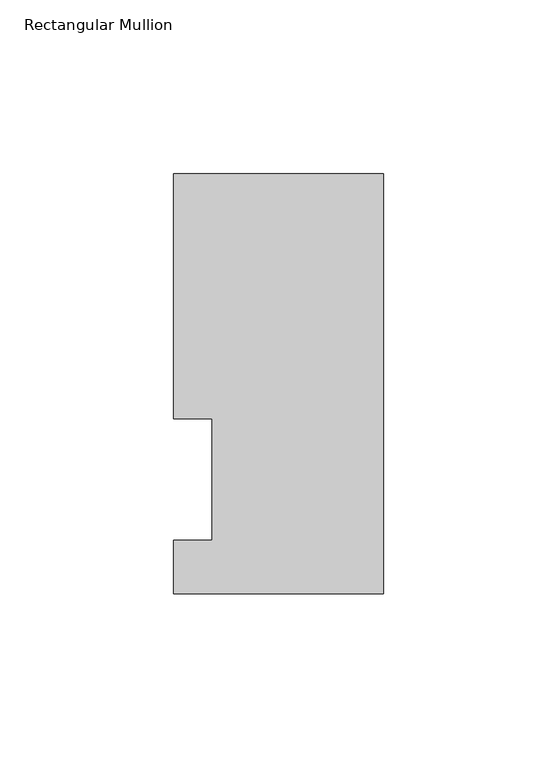
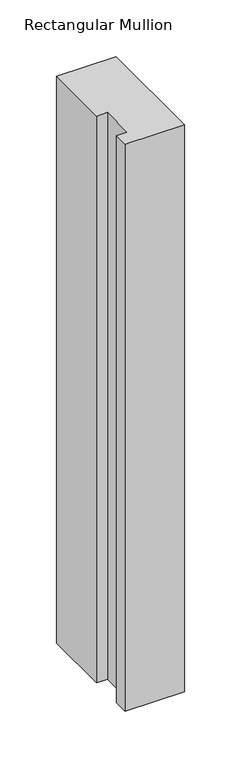
"""IFC4 building model written with IfcOpenShell, lengths in millimetres: member geometry, Rectangular Mullion."""

import ifcopenshell
import ifcopenshell.guid

model = None  # the IFC model being written
_history = None  # IfcOwnerHistory: only IFC2X3 demands one
_inside = {}  # id of a spatial element -> (the spatial element, [elements in it])
_under = {}  # id of a project, library or spatial element -> (it, [spatial elements below it])
_declared = {}  # id of a project -> (the project, [libraries it declares])
_typed = {}  # id of a type object -> (the type object, [elements of that type])
_made_of = {}  # id of a material, layer set ... -> (it, [elements and type objects made of it])


def new_model(schema):
    """Start an empty IFC model of exactly this schema.

    Asked for "IFC4X3", IfcOpenShell would pick the latest addendum, in which some entities
    have other attributes; the version numbers below select the first issue.
    IFC2X3 requires an IfcOwnerHistory on every rooted entity: one is made here for all.
    """
    global model, _history
    if schema == "IFC4X3":
        model = ifcopenshell.file(schema_version=(4, 3, 0, 0))
    else:
        model = ifcopenshell.file(schema=schema)
    _inside.clear()
    _under.clear()
    _declared.clear()
    _typed.clear()
    _made_of.clear()
    _history = None
    if model.schema == "IFC2X3":
        org = make("IfcOrganization", Name="unknown")
        user = make(
            "IfcPersonAndOrganization",
            ThePerson=make("IfcPerson", FamilyName="unknown"),
            TheOrganization=org,
        )
        app = make(
            "IfcApplication",
            ApplicationDeveloper=org,
            Version="unknown",
            ApplicationFullName="unknown",
            ApplicationIdentifier="unknown",
        )
        _history = make(
            "IfcOwnerHistory",
            OwningUser=user,
            OwningApplication=app,
            ChangeAction="ADDED",
            CreationDate=0,
        )
    return model


def make(cls, **values):
    """One entity of the class cls with the attributes given. An attribute that is None is left unset."""
    return model.create_entity(
        cls, **{name: value for name, value in values.items() if value is not None}
    )


def rooted(cls, **values):
    """An entity with a GlobalId (a new one), such as an element, a storey or a relation."""
    return make(cls, GlobalId=ifcopenshell.guid.new(), OwnerHistory=_history, **values)


def si_unit(unit_type, name, prefix=None):
    """IfcSIUnit, for example si_unit("LENGTHUNIT", "METRE", prefix="MILLI")."""
    return make("IfcSIUnit", UnitType=unit_type, Prefix=prefix, Name=name)


def assignment(units):
    """IfcUnitAssignment: the units of a project."""
    return None if units is None else make("IfcUnitAssignment", Units=units)


def point(xyz):
    """IfcCartesianPoint."""
    return None if xyz is None else make("IfcCartesianPoint", Coordinates=xyz)


def direction(xyz):
    """IfcDirection."""
    return None if xyz is None else make("IfcDirection", DirectionRatios=xyz)


def frame(location, z_axis=None, x_axis=None):
    """IfcAxis2Placement3D, a coordinate frame: its origin and axes. An axis left out is left unset."""
    return make(
        "IfcAxis2Placement3D",
        Location=point(location),
        Axis=direction(z_axis),
        RefDirection=direction(x_axis),
    )


def origin():
    """The frame at (0, 0, 0) with its axes left unset."""
    return frame((0.0, 0.0, 0.0))


def place(relative_to, where):
    """IfcLocalPlacement: puts the frame where relative to a parent placement (None: the world)."""
    return make(
        "IfcLocalPlacement", PlacementRelTo=relative_to, RelativePlacement=where
    )


def context(
    kind, dimensions, precision=None, world=None, true_north=None, identifier=None
):
    """IfcGeometricRepresentationContext, for example the 3D "Model" context."""
    return make(
        "IfcGeometricRepresentationContext",
        ContextIdentifier=identifier,
        ContextType=kind,
        CoordinateSpaceDimension=dimensions,
        Precision=precision,
        WorldCoordinateSystem=world,
        TrueNorth=true_north,
    )


def project(units=None, contexts=None):
    """IfcProject with its units and contexts."""
    return rooted(
        "IfcProject",
        Name="project",
        RepresentationContexts=contexts,
        UnitsInContext=assignment(units),
    )


def spatial(cls, under=None, at=None, **own):
    """A site, building, storey or space (cls), placed at a placement, below another one or the project."""
    s = rooted(cls, ObjectPlacement=at, **own)
    if under is not None:
        _under.setdefault(under.id(), (under, []))[1].append(s)
    return s


def polyline(points):
    """IfcPolyline through the points."""
    return make("IfcPolyline", Points=[point(p) for p in points])


def outline(outer, holes=None, kind="AREA"):
    """IfcArbitraryClosedProfileDef: a profile drawn as a closed curve; with holes, ...WithVoids."""
    if holes is None:
        return make("IfcArbitraryClosedProfileDef", ProfileType=kind, OuterCurve=outer)
    return make(
        "IfcArbitraryProfileDefWithVoids",
        ProfileType=kind,
        OuterCurve=outer,
        InnerCurves=holes,
    )


def extrude(swept, where, along, depth):
    """IfcExtrudedAreaSolid: the profile swept, set in the frame where, extruded along a direction by depth."""
    return make(
        "IfcExtrudedAreaSolid",
        SweptArea=swept,
        Position=where,
        ExtrudedDirection=direction(along),
        Depth=depth,
    )


def shape(context_of_items, identifier, shape_type, items):
    """IfcShapeRepresentation: the items that make up one representation, for example the "Body"."""
    return make(
        "IfcShapeRepresentation",
        ContextOfItems=context_of_items,
        RepresentationIdentifier=identifier,
        RepresentationType=shape_type,
        Items=items,
    )


def source(mapping_origin, context_of_items, identifier, shape_type, items):
    """IfcRepresentationMap: a shape defined once, which mapped items show again and again."""
    return make(
        "IfcRepresentationMap",
        MappingOrigin=mapping_origin,
        MappedRepresentation=shape(context_of_items, identifier, shape_type, items),
    )


def transform(
    local_origin,
    x_axis=None,
    y_axis=None,
    z_axis=None,
    scale=None,
    scale2=None,
    scale3=None,
    uniform=True,
):
    """IfcCartesianTransformationOperator3D, or its non-uniform kind. x_axis, y_axis, z_axis: its Axis1, 2, 3."""
    if uniform:
        return make(
            "IfcCartesianTransformationOperator3D",
            Axis1=direction(x_axis),
            Axis2=direction(y_axis),
            LocalOrigin=point(local_origin),
            Scale=scale,
            Axis3=direction(z_axis),
        )
    return make(
        "IfcCartesianTransformationOperator3DnonUniform",
        Axis1=direction(x_axis),
        Axis2=direction(y_axis),
        LocalOrigin=point(local_origin),
        Scale=scale,
        Axis3=direction(z_axis),
        Scale2=scale2,
        Scale3=scale3,
    )


def mapped(mapping_source, mapping_target):
    """IfcMappedItem: shows the shape of a source again, moved by a transform."""
    return make(
        "IfcMappedItem", MappingSource=mapping_source, MappingTarget=mapping_target
    )


def made_of(thing, what):
    """Note that an element or type object is made of a material, layer set ...; save() writes the relation."""
    if what is not None:
        _made_of.setdefault(what.id(), (what, []))[1].append(thing)
    return thing


def element(
    cls,
    number,
    at=None,
    inside=None,
    cuts=None,
    type_object=None,
    material=None,
    context=None,
    identifier="Body",
    shape_type=None,
    held_by="IfcProductDefinitionShape",
    body=None,
    shapes=None,
    **own,
):
    """One element of the class cls, such as IfcWall. Its Tag is "e" and its number.

    at: its placement. inside: the storey or other place that contains it. cuts: it is an
    opening in that element (IfcRelVoidsElement). A single representation is given by context,
    identifier, shape_type and body (its items); several are given by shapes. held_by: the class
    of the entity that holds the representations. save() writes the other relations.
    """
    e = rooted(cls, Tag="e%d" % number, ObjectPlacement=at, **own)
    if body is not None:
        shapes = [shape(context, identifier, shape_type, body)]
    if shapes is not None:
        e.Representation = make(held_by, Representations=shapes)
    if inside is not None:
        _inside.setdefault(inside.id(), (inside, []))[1].append(e)
    if cuts is not None:
        rooted(
            "IfcRelVoidsElement", RelatingBuildingElement=cuts, RelatedOpeningElement=e
        )
    if type_object is not None:
        _typed.setdefault(type_object.id(), (type_object, []))[1].append(e)
    return made_of(e, material)


def aggregate(whole, parts):
    """IfcRelAggregates: a whole, such as a stair, and the parts it consists of."""
    return rooted("IfcRelAggregates", RelatingObject=whole, RelatedObjects=parts)


def save(model, path):
    """Write the relations noted so far, then the file.

    IfcRelAggregates (storeys below a building ...), IfcRelContainedInSpatialStructure (elements
    in a storey), IfcRelDefinesByType, IfcRelAssociatesMaterial and IfcRelDeclares: one each for
    every whole, place, type object, material and project.
    """
    for whole, parts in _under.values():
        aggregate(whole, parts)
    for where, things in _inside.values():
        rooted(
            "IfcRelContainedInSpatialStructure",
            RelatedElements=things,
            RelatingStructure=where,
        )
    for kind, things in _typed.values():
        rooted("IfcRelDefinesByType", RelatedObjects=things, RelatingType=kind)
    for what, things in _made_of.values():
        rooted("IfcRelAssociatesMaterial", RelatedObjects=things, RelatingMaterial=what)
    for by, libraries in _declared.values():
        rooted("IfcRelDeclares", RelatingContext=by, RelatedDefinitions=libraries)
    model.write(path)


def rectangular_mullion_47a0db3c(model_context):
    return source(origin(), model_context, "Body", "SweptSolid", [
        extrude(outline(polyline([(-60.325, 117.503575), (0.0, 117.503575), (0.0, -3.298825), (-60.325, -3.298825), (-60.325, 12.144375), (-49.2252, 12.144375), (-49.2252, 47.069375), (-60.325, 47.069375), (-60.325, 117.503575)])), frame((0.0, 0.0, -609.6), z_axis=(0.0, 0.0, 1.0), x_axis=(1.0, 0.0, 0.0)), (0.0, 0.0, 1.0), 609.6),
    ])


if __name__ == "__main__":
    model = new_model("IFC4")
    model_context = context("Model", 3, world=origin())
    ifc_project = project(units=[si_unit("LENGTHUNIT", "METRE", prefix="MILLI")], contexts=[model_context])
    site = spatial("IfcSite", under=ifc_project)
    building = spatial("IfcBuilding", under=site)
    placement = place(None, origin())
    rectangular_mullion_shape = rectangular_mullion_47a0db3c(model_context)
    element("IfcMember", 1, ObjectType="Rectangular Mullion", at=placement, inside=building, context=model_context, shape_type="MappedRepresentation", body=[
        mapped(rectangular_mullion_shape, transform((0.0, 0.0, 0.0), x_axis=(1.0, 0.0, 0.0), y_axis=(0.0, 1.0, 0.0), z_axis=(0.0, 0.0, 1.0))),
    ])
    save(model, "model.ifc")
